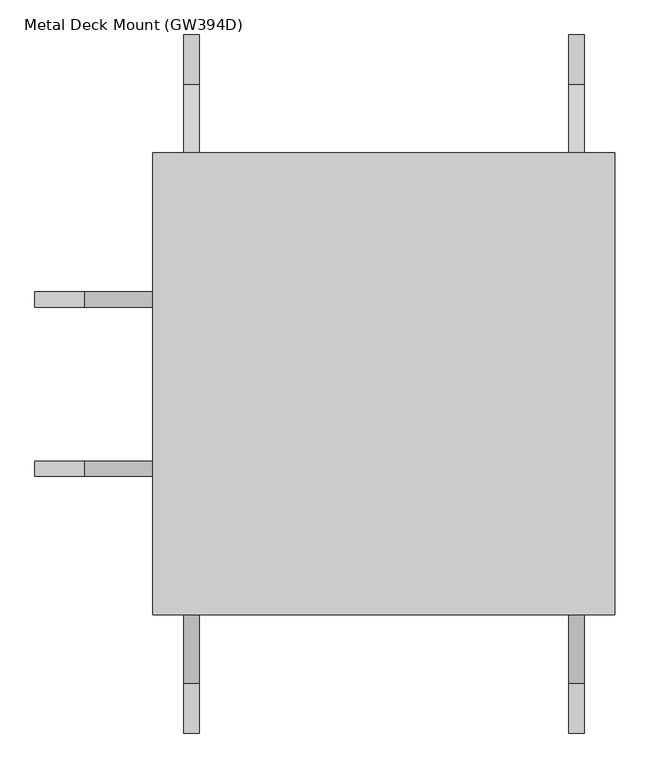
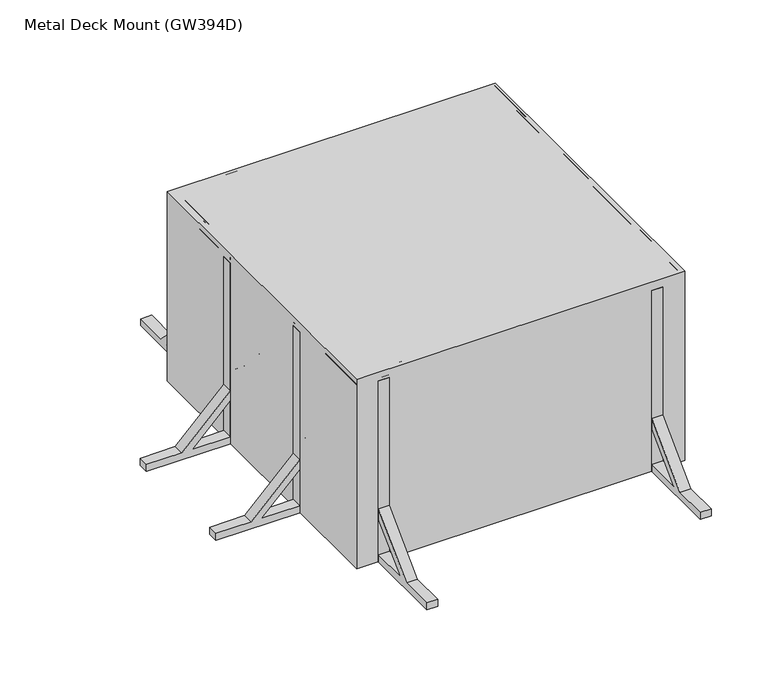
"""IFC4 building model written with IfcOpenShell, lengths in millimetres: railing geometry, Metal Deck Mount (GW394D)."""

from ifc_helpers import new_model, si_unit, point, frame, origin, origin_with_axes, place, context, project, spatial, polyline, circle_curve, ellipse_curve, trimmed, outline, extrude, source, transform, mapped, element, save
from ifc_brep_helpers import plane_surface, cylinder_surface, revolved_surface, advanced_brep


def metal_deck_mount_gw394d_56b96e92(model_context):
    return source(origin(), model_context, "Body", "SolidModel", [
        extrude(outline(polyline([(-2160.0, 0.0), (-2160.0, 40.0), (-1966.5685425, 40.0), (-1700.0, 306.5685425), (-1700.0, 250.0), (-1910.0, 40.0), (-1700.0, 40.0), (-1700.0, 0.0), (-2160.0, 0.0)])), frame((280.0, 0.0, 0.0), z_axis=(1.0, 0.0, 0.0), x_axis=(0.0, 1.0, 0.0)), (0.0, 0.0, 1.0), 60.0),
        extrude(outline(polyline([(280.0, -1660.0), (340.0, -1660.0), (340.0, -1700.0), (280.0, -1700.0), (280.0, -1660.0)])), origin_with_axes(), (0.0, 0.0, 1.0), 1050.0),
        extrude(outline(polyline([(-2160.0, 0.0), (-2160.0, 40.0), (-1966.5685425, 40.0), (-1700.0, 306.5685425), (-1700.0, 250.0), (-1910.0, 40.0), (-1700.0, 40.0), (-1700.0, 0.0), (-2160.0, 0.0)])), frame((-1220.0, 0.0, 0.0), z_axis=(1.0, 0.0, 0.0), x_axis=(0.0, 1.0, 0.0)), (0.0, 0.0, 1.0), 60.0),
        extrude(outline(polyline([(-1160.0, -1660.0), (-1160.0, -1700.0), (-1220.0, -1700.0), (-1220.0, -1660.0), (-1160.0, -1660.0)])), origin_with_axes(), (0.0, 0.0, 1.0), 1050.0),
        extrude(outline(polyline([(560.0, 0.0), (100.0, 0.0), (100.0, 40.0), (310.0, 40.0), (100.0, 250.0), (100.0, 306.5685425), (366.5685425, 40.0), (560.0, 40.0), (560.0, 0.0)])), frame((280.0, 0.0, 0.0), z_axis=(1.0, 0.0, 0.0), x_axis=(0.0, 1.0, 0.0)), (0.0, 0.0, 1.0), 60.0),
        extrude(outline(polyline([(280.0, 60.0), (280.0, 100.0), (340.0, 100.0), (340.0, 60.0), (280.0, 60.0)])), origin_with_axes(), (0.0, 0.0, 1.0), 1050.0),
        extrude(outline(polyline([(560.0, 0.0), (100.0, 0.0), (100.0, 40.0), (310.0, 40.0), (100.0, 250.0), (100.0, 306.5685425), (366.5685425, 40.0), (560.0, 40.0), (560.0, 0.0)])), frame((-1220.0, 0.0, 0.0), z_axis=(1.0, 0.0, 0.0), x_axis=(0.0, 1.0, 0.0)), (0.0, 0.0, 1.0), 60.0),
        extrude(outline(polyline([(-1160.0, 60.0), (-1220.0, 60.0), (-1220.0, 100.0), (-1160.0, 100.0), (-1160.0, 60.0)])), origin_with_axes(), (0.0, 0.0, 1.0), 1050.0),
        advanced_brep(
        [(-1300.0, -470.0, 905.0), (-1300.0, -470.0, 955.0), (-1250.0, -470.0, 955.0), (-1250.0, -470.0, 905.0), (-1150.0, -470.0, 855.0), (-1200.0, -470.0, 855.0), (-1150.0, -470.0, 505.0), (-1200.0, -470.0, 505.0), (-1250.0, -470.0, 405.0), (-1250.0, -470.0, 455.0), (-1300.0, -470.0, 455.0), (-1300.0, -470.0, 405.0)],
        [
            (0, 1, circle_curve(frame((-1300.0, -470.0, 930.0), z_axis=(-1.0, 0.0, 0.0), x_axis=(0.0, 0.0, 1.0)), 25.0)),
            (1, 0, circle_curve(frame((-1300.0, -470.0, 930.0), z_axis=(-1.0, 0.0, 0.0), x_axis=(0.0, 0.0, 1.0)), 25.0)),
            (1, 2),
            (2, 3, circle_curve(frame((-1250.0, -470.0, 930.0), z_axis=(-1.0, 0.0, 0.0), x_axis=(0.0, 0.0, 1.0)), 25.0)),
            (3, 0),
            (3, 2, circle_curve(frame((-1250.0, -470.0, 930.0), z_axis=(-1.0, 0.0, 0.0), x_axis=(0.0, 0.0, 1.0)), 25.0)),
            (4, 5, circle_curve(frame((-1175.0, -470.0, 855.0), z_axis=(0.0, 0.0, 1.0), x_axis=(1.0, 0.0, 0.0)), 25.0)),
            (5, 3, circle_curve(frame((-1250.0, -470.0, 855.0), z_axis=(0.0, -1.0, 0.0), x_axis=(0.0, 0.0, 1.0)), 50.0)),
            (2, 4, circle_curve(frame((-1250.0, -470.0, 855.0), z_axis=(0.0, 1.0, 0.0), x_axis=(0.0, 0.0, 1.0)), 100.0)),
            (5, 4, circle_curve(frame((-1175.0, -470.0, 855.0), z_axis=(0.0, 0.0, 1.0), x_axis=(1.0, 0.0, 0.0)), 25.0)),
            (4, 6),
            (6, 7, circle_curve(frame((-1175.0, -470.0, 505.0), z_axis=(0.0, 0.0, 1.0), x_axis=(1.0, 0.0, 0.0)), 25.0)),
            (7, 5),
            (7, 6, circle_curve(frame((-1175.0, -470.0, 505.0), z_axis=(0.0, 0.0, 1.0), x_axis=(1.0, 0.0, 0.0)), 25.0)),
            (8, 9, circle_curve(frame((-1250.0, -470.0, 430.0), z_axis=(1.0, 0.0, 0.0), x_axis=(0.0, 0.0, -1.0)), 25.0)),
            (9, 7, circle_curve(frame((-1250.0, -470.0, 505.0), z_axis=(0.0, -1.0, 0.0), x_axis=(1.0, 0.0, 0.0)), 50.0)),
            (6, 8, circle_curve(frame((-1250.0, -470.0, 505.0), z_axis=(0.0, 1.0, 0.0), x_axis=(1.0, 0.0, 0.0)), 100.0)),
            (9, 8, circle_curve(frame((-1250.0, -470.0, 430.0), z_axis=(1.0, 0.0, 0.0), x_axis=(0.0, 0.0, -1.0)), 25.0)),
            (10, 11, circle_curve(frame((-1300.0, -470.0, 430.0), z_axis=(-1.0, 0.0, 0.0), x_axis=(0.0, 0.0, -1.0)), 25.0)),
            (11, 10, circle_curve(frame((-1300.0, -470.0, 430.0), z_axis=(-1.0, 0.0, 0.0), x_axis=(0.0, 0.0, -1.0)), 25.0)),
            (8, 11),
            (10, 9),
        ],
        [
            plane_surface(frame((-1300.0, -470.0, 930.0), z_axis=(-1.0, 0.0, 0.0), x_axis=(0.0, 1.0, 0.0))),
            cylinder_surface(frame((-1300.0, -470.0, 930.0), z_axis=(-1.0, 0.0, 0.0), x_axis=(0.0, 0.0, 1.0)), 25.0),
            revolved_surface(trimmed(ellipse_curve(frame((-1250.0, -470.0, 930.0), z_axis=(1.0, 0.0, 0.0), x_axis=(0.0, 0.0, 1.0)), 25.0, 25.0), [point((-1250.0, -470.0, 905.0))], [point((-1250.0, -470.0, 955.0))], True, "CARTESIAN"), (-1250.0, -470.0, 855.0), (0.0, -1.0, 0.0)),
            revolved_surface(trimmed(ellipse_curve(frame((-1250.0, -470.0, 930.0), z_axis=(1.0, 0.0, 0.0), x_axis=(0.0, 0.0, 1.0)), 25.0, 25.0), [point((-1250.0, -470.0, 955.0))], [point((-1250.0, -470.0, 905.0))], True, "CARTESIAN"), (-1250.0, -470.0, 855.0), (0.0, -1.0, 0.0)),
            cylinder_surface(frame((-1175.0, -470.0, 855.0), z_axis=(0.0, 0.0, 1.0), x_axis=(1.0, 0.0, 0.0)), 25.0),
            revolved_surface(trimmed(ellipse_curve(frame((-1175.0, -470.0, 505.0), z_axis=(0.0, 0.0, -1.0), x_axis=(1.0, 0.0, 0.0)), 25.0, 25.0), [point((-1200.0, -470.0, 505.0))], [point((-1150.0, -470.0, 505.0))], True, "CARTESIAN"), (-1250.0, -470.0, 505.0), (0.0, -1.0, 0.0)),
            revolved_surface(trimmed(ellipse_curve(frame((-1175.0, -470.0, 505.0), z_axis=(0.0, 0.0, -1.0), x_axis=(1.0, 0.0, 0.0)), 25.0, 25.0), [point((-1150.0, -470.0, 505.0))], [point((-1200.0, -470.0, 505.0))], True, "CARTESIAN"), (-1250.0, -470.0, 505.0), (0.0, -1.0, 0.0)),
            plane_surface(frame((-1300.0, -470.0, 430.0), z_axis=(-1.0, 0.0, 0.0), x_axis=(0.0, 1.0, 0.0))),
            cylinder_surface(frame((-1250.0, -470.0, 430.0), z_axis=(1.0, 0.0, 0.0), x_axis=(0.0, 0.0, -1.0)), 25.0),
        ],
        [
            (0, [[1, 2]]),
            (1, [[3, 4, 5, -2]]),
            (1, [[-5, 6, -3, -1]]),
            (2, [[7, 8, -4, 9]]),
            (3, [[10, -9, -6, -8]]),
            (4, [[11, 12, 13, -7]]),
            (4, [[-13, 14, -11, -10]]),
            (5, [[15, 16, -12, 17]]),
            (6, [[18, -17, -14, -16]]),
            (7, [[19, 20]]),
            (8, [[21, -19, 22, -15]]),
            (8, [[-22, -20, -21, -18]]),
        ],
    ),
        extrude(outline(polyline([(0.0, -1800.0), (0.0, -1340.0), (40.0, -1340.0), (40.0, -1550.0), (250.0, -1340.0), (306.5685425, -1340.0), (40.0, -1606.5685425), (40.0, -1800.0), (0.0, -1800.0)])), frame((0.0, -500.0, 0.0), z_axis=(0.0, 1.0, 0.0), x_axis=(0.0, 0.0, 1.0)), (0.0, 0.0, 1.0), 60.0),
        extrude(outline(polyline([(-1300.0, -440.0), (-1300.0, -500.0), (-1340.0, -500.0), (-1340.0, -440.0), (-1300.0, -440.0)])), origin_with_axes(), (0.0, 0.0, 1.0), 1050.0),
        advanced_brep(
        [(-1300.0, -1130.0, 905.0), (-1300.0, -1130.0, 955.0), (-1250.0, -1130.0, 905.0), (-1250.0, -1130.0, 955.0), (-1150.0, -1130.0, 855.0), (-1200.0, -1130.0, 855.0), (-1200.0, -1130.0, 505.0), (-1150.0, -1130.0, 505.0), (-1250.0, -1130.0, 405.0), (-1250.0, -1130.0, 455.0), (-1300.0, -1130.0, 455.0), (-1300.0, -1130.0, 405.0)],
        [
            (0, 1, circle_curve(frame((-1300.0, -1130.0, 930.0), z_axis=(-1.0, 0.0, 0.0), x_axis=(0.0, 0.0, 1.0)), 25.0)),
            (1, 0, circle_curve(frame((-1300.0, -1130.0, 930.0), z_axis=(-1.0, 0.0, 0.0), x_axis=(0.0, 0.0, 1.0)), 25.0)),
            (0, 2),
            (2, 3, circle_curve(frame((-1250.0, -1130.0, 930.0), z_axis=(-1.0, 0.0, 0.0), x_axis=(0.0, 0.0, 1.0)), 25.0)),
            (3, 1),
            (3, 2, circle_curve(frame((-1250.0, -1130.0, 930.0), z_axis=(-1.0, 0.0, 0.0), x_axis=(0.0, 0.0, 1.0)), 25.0)),
            (4, 3, circle_curve(frame((-1250.0, -1130.0, 855.0), z_axis=(0.0, -1.0, 0.0), x_axis=(0.0, 0.0, 1.0)), 100.0)),
            (2, 5, circle_curve(frame((-1250.0, -1130.0, 855.0), z_axis=(0.0, 1.0, 0.0), x_axis=(0.0, 0.0, 1.0)), 50.0)),
            (5, 4, circle_curve(frame((-1175.0, -1130.0, 855.0), z_axis=(0.0, 0.0, 1.0), x_axis=(1.0, 0.0, 0.0)), 25.0)),
            (4, 5, circle_curve(frame((-1175.0, -1130.0, 855.0), z_axis=(0.0, 0.0, 1.0), x_axis=(1.0, 0.0, 0.0)), 25.0)),
            (5, 6),
            (6, 7, circle_curve(frame((-1175.0, -1130.0, 505.0), z_axis=(0.0, 0.0, 1.0), x_axis=(1.0, 0.0, 0.0)), 25.0)),
            (7, 4),
            (7, 6, circle_curve(frame((-1175.0, -1130.0, 505.0), z_axis=(0.0, 0.0, 1.0), x_axis=(1.0, 0.0, 0.0)), 25.0)),
            (8, 7, circle_curve(frame((-1250.0, -1130.0, 505.0), z_axis=(0.0, -1.0, 0.0), x_axis=(1.0, 0.0, 0.0)), 100.0)),
            (6, 9, circle_curve(frame((-1250.0, -1130.0, 505.0), z_axis=(0.0, 1.0, 0.0), x_axis=(1.0, 0.0, 0.0)), 50.0)),
            (9, 8, circle_curve(frame((-1250.0, -1130.0, 430.0), z_axis=(1.0, 0.0, 0.0), x_axis=(0.0, 0.0, -1.0)), 25.0)),
            (8, 9, circle_curve(frame((-1250.0, -1130.0, 430.0), z_axis=(1.0, 0.0, 0.0), x_axis=(0.0, 0.0, -1.0)), 25.0)),
            (10, 11, circle_curve(frame((-1300.0, -1130.0, 430.0), z_axis=(-1.0, 0.0, 0.0), x_axis=(0.0, 0.0, -1.0)), 25.0)),
            (11, 10, circle_curve(frame((-1300.0, -1130.0, 430.0), z_axis=(-1.0, 0.0, 0.0), x_axis=(0.0, 0.0, -1.0)), 25.0)),
            (9, 10),
            (11, 8),
        ],
        [
            plane_surface(frame((-1300.0, -1130.0, 930.0), z_axis=(-1.0, 0.0, 0.0), x_axis=(0.0, -1.0, 0.0))),
            cylinder_surface(frame((-1300.0, -1130.0, 930.0), z_axis=(-1.0, 0.0, 0.0), x_axis=(0.0, 0.0, 1.0)), 25.0),
            revolved_surface(trimmed(ellipse_curve(frame((-1250.0, -1130.0, 930.0), z_axis=(-1.0, 0.0, 0.0), x_axis=(0.0, 0.0, 1.0)), 25.0, 25.0), [point((-1250.0, -1130.0, 905.0))], [point((-1250.0, -1130.0, 955.0))], True, "CARTESIAN"), (-1250.0, -1130.0, 855.0), (0.0, 1.0, 0.0)),
            revolved_surface(trimmed(ellipse_curve(frame((-1250.0, -1130.0, 930.0), z_axis=(-1.0, 0.0, 0.0), x_axis=(0.0, 0.0, 1.0)), 25.0, 25.0), [point((-1250.0, -1130.0, 955.0))], [point((-1250.0, -1130.0, 905.0))], True, "CARTESIAN"), (-1250.0, -1130.0, 855.0), (0.0, 1.0, 0.0)),
            cylinder_surface(frame((-1175.0, -1130.0, 855.0), z_axis=(0.0, 0.0, 1.0), x_axis=(1.0, 0.0, 0.0)), 25.0),
            revolved_surface(trimmed(ellipse_curve(frame((-1175.0, -1130.0, 505.0), z_axis=(0.0, 0.0, 1.0), x_axis=(1.0, 0.0, 0.0)), 25.0, 25.0), [point((-1200.0, -1130.0, 505.0))], [point((-1150.0, -1130.0, 505.0))], True, "CARTESIAN"), (-1250.0, -1130.0, 505.0), (0.0, 1.0, 0.0)),
            revolved_surface(trimmed(ellipse_curve(frame((-1175.0, -1130.0, 505.0), z_axis=(0.0, 0.0, 1.0), x_axis=(1.0, 0.0, 0.0)), 25.0, 25.0), [point((-1150.0, -1130.0, 505.0))], [point((-1200.0, -1130.0, 505.0))], True, "CARTESIAN"), (-1250.0, -1130.0, 505.0), (0.0, 1.0, 0.0)),
            plane_surface(frame((-1300.0, -1130.0, 430.0), z_axis=(-1.0, 0.0, 0.0), x_axis=(0.0, -1.0, 0.0))),
            cylinder_surface(frame((-1250.0, -1130.0, 430.0), z_axis=(1.0, 0.0, 0.0), x_axis=(0.0, 0.0, -1.0)), 25.0),
        ],
        [
            (0, [[1, 2]]),
            (1, [[-1, 3, 4, 5]]),
            (1, [[-2, -5, 6, -3]]),
            (2, [[7, -4, 8, 9]]),
            (3, [[-8, -6, -7, 10]]),
            (4, [[-9, 11, 12, 13]]),
            (4, [[-10, -13, 14, -11]]),
            (5, [[15, -12, 16, 17]]),
            (6, [[-16, -14, -15, 18]]),
            (7, [[19, 20]]),
            (8, [[-17, 21, -20, 22]]),
            (8, [[-18, -22, -19, -21]]),
        ],
    ),
        extrude(outline(polyline([(0.0, -1800.0), (0.0, -1340.0), (40.0, -1340.0), (40.0, -1550.0), (250.0, -1340.0), (306.5685425, -1340.0), (40.0, -1606.5685425), (40.0, -1800.0), (0.0, -1800.0)])), frame((0.0, -1160.0, 0.0), z_axis=(0.0, 1.0, 0.0), x_axis=(0.0, 0.0, 1.0)), (0.0, 0.0, 1.0), 60.0),
        extrude(outline(polyline([(-1300.0, -1160.0), (-1340.0, -1160.0), (-1340.0, -1100.0), (-1300.0, -1100.0), (-1300.0, -1160.0)])), origin_with_axes(), (0.0, 0.0, 1.0), 1050.0),
        extrude(outline(polyline([(-1340.0, 100.0), (460.0, 100.0), (460.0, -1700.0), (-1340.0, -1700.0), (-1340.0, 100.0)])), origin_with_axes(), (0.0, 0.0, 1.0), 1100.0),
        advanced_brep(
        [(-1300.0, -1100.0, 550.0), (-1260.0, -1100.0, 550.0), (-1300.0, -500.0, 550.0), (-1260.0, -500.0, 550.0), (-1300.0, -1660.0, 550.0), (-1260.0, -1620.0, 550.0), (420.0, -1660.0, 550.0), (380.0, -1620.0, 550.0), (420.0, 60.0, 550.0), (380.0, 20.0, 550.0), (-1300.0, 60.0, 550.0), (-1260.0, 20.0, 550.0)],
        [
            (0, 1, circle_curve(frame((-1280.0, -1100.0, 550.0), z_axis=(0.0, 1.0, 0.0), x_axis=(1.0, 0.0, 0.0)), 20.0)),
            (1, 0, circle_curve(frame((-1280.0, -1100.0, 550.0), z_axis=(0.0, 1.0, 0.0), x_axis=(1.0, 0.0, 0.0)), 20.0)),
            (2, 3, circle_curve(frame((-1280.0, -500.0, 550.0), z_axis=(0.0, -1.0, 0.0), x_axis=(1.0, 0.0, 0.0)), 20.0)),
            (3, 2, circle_curve(frame((-1280.0, -500.0, 550.0), z_axis=(0.0, -1.0, 0.0), x_axis=(1.0, 0.0, 0.0)), 20.0)),
            (0, 4),
            (4, 5, ellipse_curve(frame((-1280.0, -1640.0, 550.0), z_axis=(-0.7071067811865475, 0.7071067811865475, 0.0), x_axis=(0.7071067811865474, 0.7071067811865476, 0.0)), 28.2842712, 20.0)),
            (5, 1),
            (5, 4, ellipse_curve(frame((-1280.0, -1640.0, 550.0), z_axis=(-0.7071067811865475, 0.7071067811865475, 0.0), x_axis=(0.7071067811865474, 0.7071067811865476, 0.0)), 28.2842712, 20.0)),
            (4, 6),
            (6, 7, ellipse_curve(frame((400.0, -1640.0, 550.0), z_axis=(-0.7071067811865475, -0.7071067811865475, 0.0), x_axis=(-0.7071067811865476, 0.7071067811865474, 0.0)), 28.2842712, 20.0)),
            (7, 5),
            (7, 6, ellipse_curve(frame((400.0, -1640.0, 550.0), z_axis=(-0.7071067811865475, -0.7071067811865475, 0.0), x_axis=(-0.7071067811865476, 0.7071067811865474, 0.0)), 28.2842712, 20.0)),
            (6, 8),
            (8, 9, ellipse_curve(frame((400.0, 40.0, 550.0), z_axis=(0.7071067811865475, -0.7071067811865475, 0.0), x_axis=(-0.7071067811865474, -0.7071067811865476, 0.0)), 28.2842712, 20.0)),
            (9, 7),
            (9, 8, ellipse_curve(frame((400.0, 40.0, 550.0), z_axis=(0.7071067811865475, -0.7071067811865475, 0.0), x_axis=(-0.7071067811865474, -0.7071067811865476, 0.0)), 28.2842712, 20.0)),
            (8, 10),
            (10, 11, ellipse_curve(frame((-1280.0, 40.0, 550.0), z_axis=(0.7071067811865475, 0.7071067811865475, 0.0), x_axis=(0.7071067811865476, -0.7071067811865474, 0.0)), 28.2842712, 20.0)),
            (11, 9),
            (11, 10, ellipse_curve(frame((-1280.0, 40.0, 550.0), z_axis=(0.7071067811865475, 0.7071067811865475, 0.0), x_axis=(0.7071067811865476, -0.7071067811865474, 0.0)), 28.2842712, 20.0)),
            (10, 2),
            (3, 11),
        ],
        [
            plane_surface(frame((-1300.0, -1100.0, 550.0), z_axis=(0.0, 1.0, 0.0), x_axis=(0.0, 0.0, 1.0))),
            plane_surface(frame((-1300.0, -500.0, 550.0), z_axis=(0.0, -1.0, 0.0), x_axis=(0.0, 0.0, 1.0))),
            cylinder_surface(frame((-1280.0, -1100.0, 550.0), z_axis=(0.0, 1.0, 0.0), x_axis=(1.0, 0.0, 0.0)), 20.0),
            cylinder_surface(frame((-1300.0, -1640.0, 550.0), z_axis=(-1.0, 0.0, 0.0), x_axis=(0.0, 1.0, 0.0)), 20.0),
            cylinder_surface(frame((400.0, -1660.0, 550.0), z_axis=(0.0, -1.0, 0.0), x_axis=(-1.0, 0.0, 0.0)), 20.0),
            cylinder_surface(frame((420.0, 40.0, 550.0), z_axis=(1.0, 0.0, 0.0), x_axis=(0.0, -1.0, 0.0)), 20.0),
            cylinder_surface(frame((-1280.0, 60.0, 550.0), z_axis=(0.0, 1.0, 0.0), x_axis=(1.0, 0.0, 0.0)), 20.0),
        ],
        [
            (0, [[1, 2]]),
            (1, [[3, 4]]),
            (2, [[-1, 5, 6, 7]]),
            (2, [[-2, -7, 8, -5]]),
            (3, [[-6, 9, 10, 11]]),
            (3, [[-8, -11, 12, -9]]),
            (4, [[-10, 13, 14, 15]]),
            (4, [[-12, -15, 16, -13]]),
            (5, [[-14, 17, 18, 19]]),
            (5, [[-16, -19, 20, -17]]),
            (6, [[-18, 21, -4, 22]]),
            (6, [[-20, -22, -3, -21]]),
        ],
    ),
        advanced_brep(
        [(-1340.0, -1100.0, 1075.0), (-1290.0, -1100.0, 1075.0), (-1340.0, -1700.0, 1075.0), (-1290.0, -1650.0, 1075.0), (460.0, -1700.0, 1075.0), (410.0, -1650.0, 1075.0), (460.0, 100.0, 1075.0), (410.0, 50.0, 1075.0), (-1340.0, 100.0, 1075.0), (-1290.0, 50.0, 1075.0), (-1340.0, -500.0, 1075.0), (-1290.0, -500.0, 1075.0)],
        [
            (0, 1, circle_curve(frame((-1315.0, -1100.0, 1075.0), z_axis=(0.0, 1.0, 0.0), x_axis=(1.0, 0.0, 0.0)), 25.0)),
            (1, 0, circle_curve(frame((-1315.0, -1100.0, 1075.0), z_axis=(0.0, 1.0, 0.0), x_axis=(1.0, 0.0, 0.0)), 25.0)),
            (0, 2),
            (2, 3, ellipse_curve(frame((-1315.0, -1675.0, 1075.0), z_axis=(-0.7071067811865475, 0.7071067811865475, 0.0), x_axis=(0.7071067811865474, 0.7071067811865476, 0.0)), 35.3553391, 25.0)),
            (3, 1),
            (3, 2, ellipse_curve(frame((-1315.0, -1675.0, 1075.0), z_axis=(-0.7071067811865475, 0.7071067811865475, 0.0), x_axis=(0.7071067811865474, 0.7071067811865476, 0.0)), 35.3553391, 25.0)),
            (2, 4),
            (4, 5, ellipse_curve(frame((435.0, -1675.0, 1075.0), z_axis=(-0.7071067811865475, -0.7071067811865475, 0.0), x_axis=(-0.7071067811865476, 0.7071067811865474, 0.0)), 35.3553391, 25.0)),
            (5, 3),
            (5, 4, ellipse_curve(frame((435.0, -1675.0, 1075.0), z_axis=(-0.7071067811865475, -0.7071067811865475, 0.0), x_axis=(-0.7071067811865476, 0.7071067811865474, 0.0)), 35.3553391, 25.0)),
            (4, 6),
            (6, 7, ellipse_curve(frame((435.0, 75.0, 1075.0), z_axis=(0.7071067811865475, -0.7071067811865475, 0.0), x_axis=(-0.7071067811865474, -0.7071067811865476, 0.0)), 35.3553391, 25.0)),
            (7, 5),
            (7, 6, ellipse_curve(frame((435.0, 75.0, 1075.0), z_axis=(0.7071067811865475, -0.7071067811865475, 0.0), x_axis=(-0.7071067811865474, -0.7071067811865476, 0.0)), 35.3553391, 25.0)),
            (6, 8),
            (8, 9, ellipse_curve(frame((-1315.0, 75.0, 1075.0), z_axis=(0.7071067811865475, 0.7071067811865475, 0.0), x_axis=(0.7071067811865476, -0.7071067811865474, 0.0)), 35.3553391, 25.0)),
            (9, 7),
            (9, 8, ellipse_curve(frame((-1315.0, 75.0, 1075.0), z_axis=(0.7071067811865475, 0.7071067811865475, 0.0), x_axis=(0.7071067811865476, -0.7071067811865474, 0.0)), 35.3553391, 25.0)),
            (10, 11, circle_curve(frame((-1315.0, -500.0, 1075.0), z_axis=(0.0, -1.0, 0.0), x_axis=(1.0, 0.0, 0.0)), 25.0)),
            (11, 10, circle_curve(frame((-1315.0, -500.0, 1075.0), z_axis=(0.0, -1.0, 0.0), x_axis=(1.0, 0.0, 0.0)), 25.0)),
            (8, 10),
            (11, 9),
        ],
        [
            plane_surface(frame((-1340.0, -1100.0, 1100.0), z_axis=(0.0, 1.0, 0.0), x_axis=(0.0, 0.0, 1.0))),
            cylinder_surface(frame((-1315.0, -1100.0, 1075.0), z_axis=(0.0, 1.0, 0.0), x_axis=(1.0, 0.0, 0.0)), 25.0),
            cylinder_surface(frame((-1340.0, -1675.0, 1075.0), z_axis=(-1.0, 0.0, 0.0), x_axis=(0.0, 1.0, 0.0)), 25.0),
            cylinder_surface(frame((435.0, -1700.0, 1075.0), z_axis=(0.0, -1.0, 0.0), x_axis=(-1.0, 0.0, 0.0)), 25.0),
            cylinder_surface(frame((460.0, 75.0, 1075.0), z_axis=(1.0, 0.0, 0.0), x_axis=(0.0, -1.0, 0.0)), 25.0),
            plane_surface(frame((-1340.0, -500.0, 1100.0), z_axis=(0.0, -1.0, 0.0), x_axis=(0.0, 0.0, 1.0))),
            cylinder_surface(frame((-1315.0, 100.0, 1075.0), z_axis=(0.0, 1.0, 0.0), x_axis=(1.0, 0.0, 0.0)), 25.0),
        ],
        [
            (0, [[1, 2]]),
            (1, [[-1, 3, 4, 5]]),
            (1, [[-2, -5, 6, -3]]),
            (2, [[-4, 7, 8, 9]]),
            (2, [[-6, -9, 10, -7]]),
            (3, [[-8, 11, 12, 13]]),
            (3, [[-10, -13, 14, -11]]),
            (4, [[-12, 15, 16, 17]]),
            (4, [[-14, -17, 18, -15]]),
            (5, [[19, 20]]),
            (6, [[-16, 21, -20, 22]]),
            (6, [[-18, -22, -19, -21]]),
        ],
    ),
    ])


if __name__ == "__main__":
    model = new_model("IFC4")
    model_context = context("Model", 3, world=origin())
    ifc_project = project(units=[si_unit("LENGTHUNIT", "METRE", prefix="MILLI")], contexts=[model_context])
    site = spatial("IfcSite", under=ifc_project)
    building = spatial("IfcBuilding", under=site)
    placement = place(None, origin())
    metal_deck_mount_gw394d_shape = metal_deck_mount_gw394d_56b96e92(model_context)
    element("IfcRailing", 1, ObjectType="Metal Deck Mount (GW394D)", at=placement, inside=building, context=model_context, shape_type="MappedRepresentation", body=[
        mapped(metal_deck_mount_gw394d_shape, transform((0.0, 0.0, 0.0), x_axis=(1.0, 0.0, 0.0), y_axis=(0.0, 1.0, 0.0), z_axis=(0.0, 0.0, 1.0))),
    ])
    save(model, "model.ifc")
